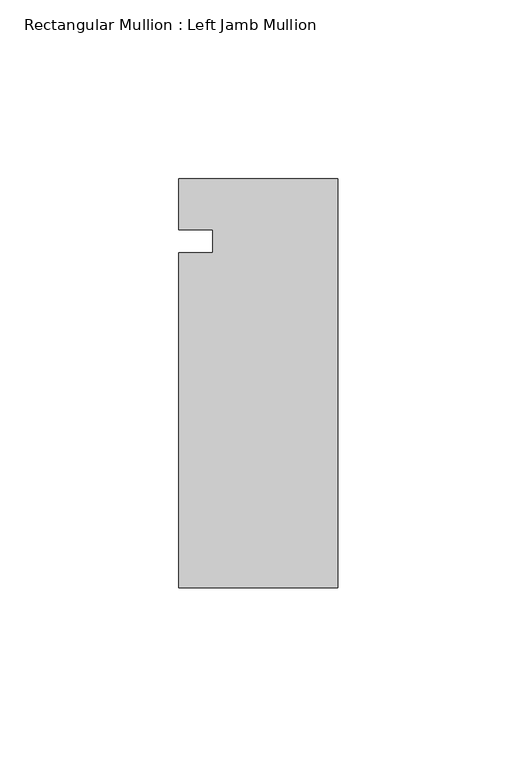
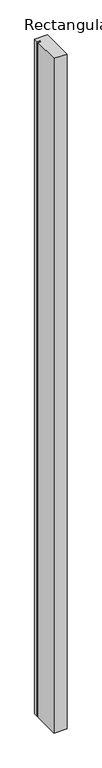
"""IFC4 building model written with IfcOpenShell, lengths in millimetres: member geometry, Rectangular Mullion : Left Jamb Mullion."""

from ifc_helpers import new_model, si_unit, frame, origin, place, context, project, spatial, polyline, outline, extrude, source, transform, mapped, element, save


def rectangular_mullion_left_jamb_mullion_555ee41b(model_context):
    return source(origin(), model_context, "Body", "SweptSolid", [
        extrude(outline(polyline([(0.0, -96.8248), (-44.45, -96.8248), (-44.45, -3.175), (-34.925, -3.175), (-34.925, 3.175), (-44.45, 3.175), (-44.45, 17.4752), (0.0, 17.4752), (0.0, -96.8248)])), frame((0.0, 0.0, -2438.4), z_axis=(0.0, 0.0, 1.0), x_axis=(1.0, 0.0, 0.0)), (0.0, 0.0, 1.0), 2438.4),
    ])


if __name__ == "__main__":
    model = new_model("IFC4")
    model_context = context("Model", 3, world=origin())
    ifc_project = project(units=[si_unit("LENGTHUNIT", "METRE", prefix="MILLI")], contexts=[model_context])
    site = spatial("IfcSite", under=ifc_project)
    building = spatial("IfcBuilding", under=site)
    placement = place(None, origin())
    rectangular_mullion_left_jamb_mullion_shape = rectangular_mullion_left_jamb_mullion_555ee41b(model_context)
    element("IfcMember", 1, ObjectType="Rectangular Mullion : Left Jamb Mullion", at=placement, inside=building, context=model_context, shape_type="MappedRepresentation", body=[
        mapped(rectangular_mullion_left_jamb_mullion_shape, transform((0.0, 0.0, 0.0), x_axis=(1.0, 0.0, 0.0), y_axis=(0.0, 1.0, 0.0), z_axis=(0.0, 0.0, 1.0))),
    ])
    save(model, "model.ifc")
